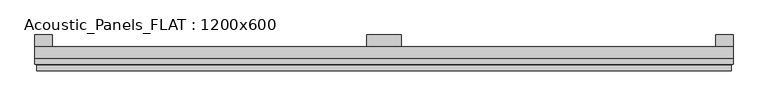
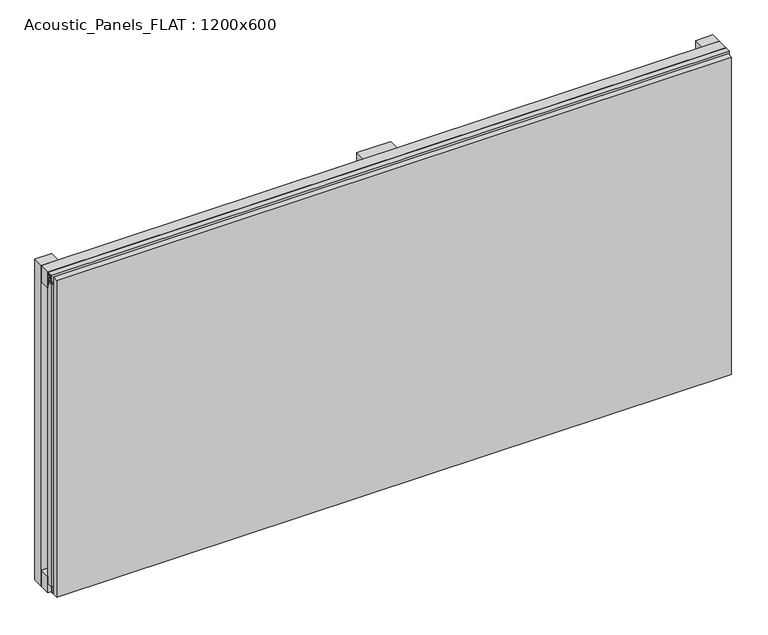
"""IFC4 building model written with IfcOpenShell, lengths in millimetres: plate geometry, Acoustic_Panels_FLAT : 1200x600."""

from ifc_helpers import new_model, si_unit, frame, origin, origin_with_axes, place, context, project, spatial, polyline, outline, extrude, faceted_brep, source, transform, mapped, element, save


def acoustic_panels_flat_1200x600_2739822d(model_context):
    return source(origin(), model_context, "Body", "SolidModel", [
        extrude(outline(polyline([(-600.0, -40.0), (-600.0, -20.0), (600.0, -20.0), (600.0, -40.0), (-600.0, -40.0)])), frame((0.0, 0.0, 570.0), z_axis=(0.0, 0.0, 1.0), x_axis=(1.0, 0.0, 0.0)), (0.0, 0.0, 1.0), 30.0),
        extrude(outline(polyline([(-600.0, -40.0), (-600.0, -20.0), (600.0, -20.0), (600.0, -40.0), (-600.0, -40.0)])), origin_with_axes(), (0.0, 0.0, 1.0), 30.0),
        extrude(outline(polyline([(570.0, 0.0), (600.0, 0.0), (600.0, -20.0), (570.0, -20.0), (570.0, 0.0)])), origin_with_axes(), (0.0, 0.0, 1.0), 600.0),
        extrude(outline(polyline([(30.0, 0.0), (30.0, -20.0), (-30.0, -20.0), (-30.0, 0.0), (30.0, 0.0)])), origin_with_axes(), (0.0, 0.0, 1.0), 600.0),
        extrude(outline(polyline([(-570.0, 0.0), (-570.0, -20.0), (-600.0, -20.0), (-600.0, 0.0), (-570.0, 0.0)])), origin_with_axes(), (0.0, 0.0, 1.0), 600.0),
        extrude(outline(polyline([(-40.0, 593.700916), (-43.5, 593.700916), (-40.0553267, 584.6441401), (-40.0553267, 577.008452), (-41.4553267, 577.008452), (-41.4553267, 584.4296606), (-45.5140545, 595.100916), (-41.4, 595.100916), (-41.4, 598.5843193), (-48.7, 598.5843193), (-48.7, 586.5843193), (-50.1, 586.5843193), (-50.1, 600.0), (-40.0, 600.0), (-40.0, 593.700916)])), frame((-600.0, 0.0, 0.0), z_axis=(1.0, 0.0, 0.0), x_axis=(0.0, 1.0, 0.0)), (0.0, 0.0, 1.0), 1200.0),
        extrude(outline(polyline([(-593.700916, -40.0), (-593.700916, -43.5), (-584.6441401, -40.0553267), (-577.008452, -40.0553267), (-577.008452, -41.4553267), (-584.4296606, -41.4553267), (-595.100916, -45.5140545), (-595.100916, -41.4), (-598.5843193, -41.4), (-598.5843193, -48.7), (-586.5843193, -48.7), (-586.5843193, -50.1), (-600.0, -50.1), (-600.0, -40.0), (-593.700916, -40.0)])), frame((0.0, 0.0, 16.9558599), z_axis=(0.0, 0.0, 1.0), x_axis=(1.0, 0.0, 0.0)), (0.0, 0.0, 1.0), 566.0882802),
        faceted_brep([(597.0, -45.9, 597.0), (-597.0, -45.9, 597.0), (-597.0, -48.7, 597.0), (597.0, -48.7, 597.0), (-597.0, -61.9, 597.0), (597.0, -61.9, 597.0), (597.0, -51.9, 597.0), (-597.0, -51.9, 597.0), (-597.0, -45.9, 3.0), (597.0, -45.9, 3.0), (597.0, -48.7, 3.0), (-597.0, -48.7, 3.0), (597.0, -61.9, 3.0), (-597.0, -61.9, 3.0), (-597.0, -51.9, 3.0), (597.0, -51.9, 3.0), (585.0, -51.9, 585.0), (585.0, -51.9, 15.0), (585.0, -48.7, 15.0), (585.0, -48.7, 585.0), (-585.0, -51.9, 15.0), (-585.0, -48.7, 15.0), (-585.0, -51.9, 585.0), (-585.0, -48.7, 585.0)], [[[0, 1, 2, 3]], [[4, 5, 6, 7]], [[8, 9, 10, 11]], [[12, 13, 14, 15]], [[1, 0, 9, 8]], [[1, 8, 11, 2]], [[13, 4, 7, 14]], [[5, 4, 13, 12]], [[9, 0, 3, 10]], [[5, 12, 15, 6]], [[16, 17, 18, 19]], [[18, 17, 20, 21]], [[21, 20, 22, 23]], [[16, 19, 23, 22]], [[7, 6, 15, 14], [17, 16, 22, 20]], [[3, 2, 11, 10], [19, 18, 21, 23]]]),
    ])


if __name__ == "__main__":
    model = new_model("IFC4")
    model_context = context("Model", 3, world=origin())
    ifc_project = project(units=[si_unit("LENGTHUNIT", "METRE", prefix="MILLI")], contexts=[model_context])
    site = spatial("IfcSite", under=ifc_project)
    building = spatial("IfcBuilding", under=site)
    placement = place(None, origin())
    acoustic_panels_flat_1200x600_shape = acoustic_panels_flat_1200x600_2739822d(model_context)
    element("IfcPlate", 1, ObjectType="Acoustic_Panels_FLAT : 1200x600", at=placement, inside=building, context=model_context, shape_type="MappedRepresentation", body=[
        mapped(acoustic_panels_flat_1200x600_shape, transform((0.0, 0.0, 0.0), x_axis=(1.0, 0.0, 0.0), y_axis=(0.0, 1.0, 0.0), z_axis=(0.0, 0.0, 1.0))),
    ])
    save(model, "model.ifc")
